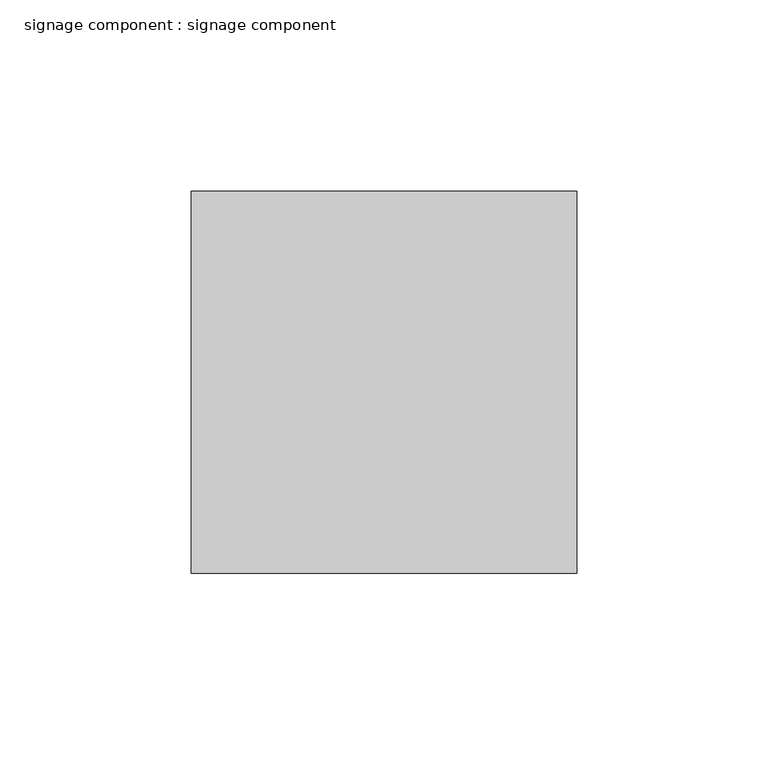
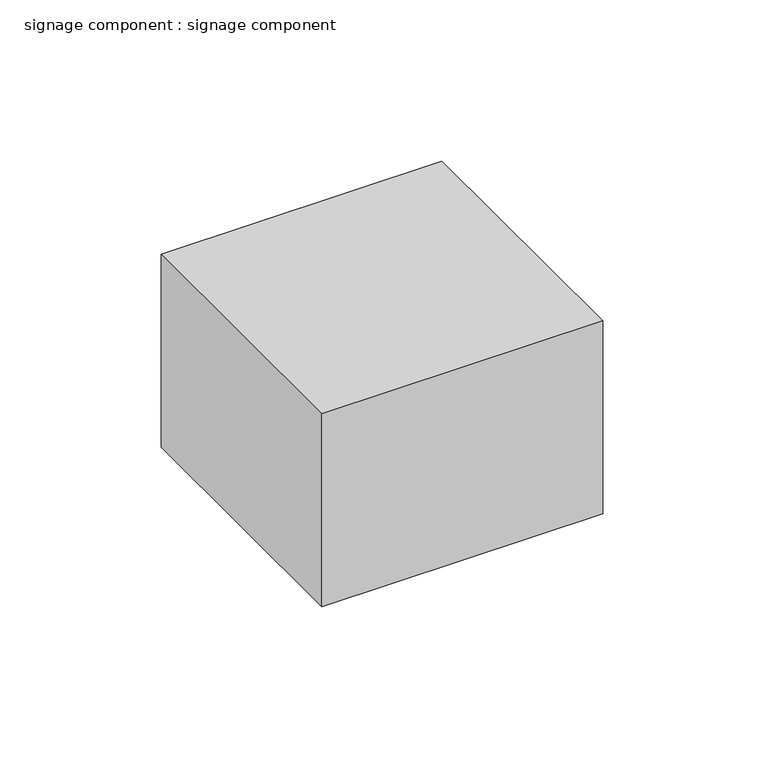
"""IFC4 building model written with IfcOpenShell, lengths in millimetres: proxy geometry, signage component : signage component."""

from ifc_helpers import new_model, si_unit, frame, origin, place, context, project, spatial, polyline, outline, extrude, source, transform, mapped, element, save


def signage_component_signage_component_f1dc37b5(model_context):
    return source(origin(), model_context, "Body", "SweptSolid", [
        extrude(outline(polyline([(39063.3737695, -24990.1171928), (39163.9870413, -24990.1171928), (39163.9870413, -25089.8647133), (39063.3737695, -25089.8647133), (39063.3737695, -24990.1171928)])), frame((0.0, 0.0, 2822.1120276), z_axis=(0.0, 0.0, 1.0), x_axis=(1.0, 0.0, 0.0)), (0.0, 0.0, 1.0), 73.2057788),
    ])


if __name__ == "__main__":
    model = new_model("IFC4")
    model_context = context("Model", 3, world=origin())
    ifc_project = project(units=[si_unit("LENGTHUNIT", "METRE", prefix="MILLI")], contexts=[model_context])
    site = spatial("IfcSite", under=ifc_project)
    building = spatial("IfcBuilding", under=site)
    placement = place(None, origin())
    signage_component_signage_component_shape = signage_component_signage_component_f1dc37b5(model_context)
    element("IfcBuildingElementProxy", 1, Name="signage component : signage component", ObjectType="signage component : signage component", at=placement, inside=building, context=model_context, shape_type="MappedRepresentation", body=[
        mapped(signage_component_signage_component_shape, transform((0.0, 0.0, 0.0), x_axis=(1.0, 0.0, 0.0), y_axis=(0.0, 1.0, 0.0), z_axis=(0.0, 0.0, 1.0))),
    ])
    save(model, "model.ifc")
